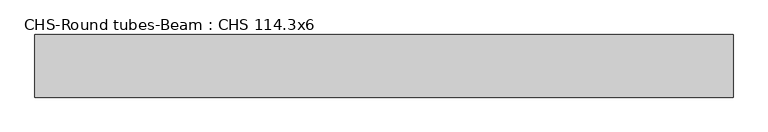
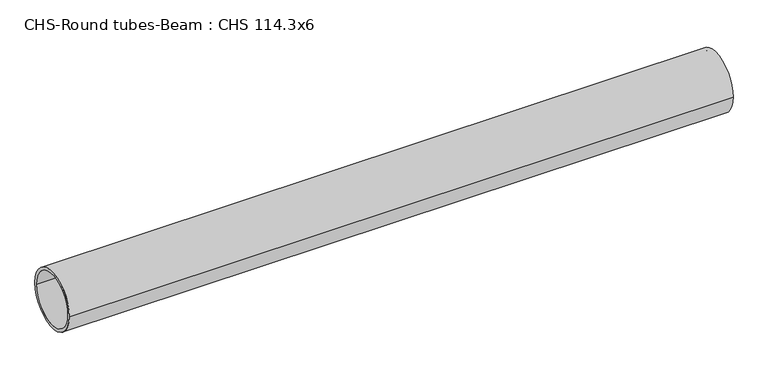
"""IFC4 building model written with IfcOpenShell, lengths in millimetres: beam geometry, CHS-Round tubes-Beam : CHS 114.3x6."""

from ifc_helpers import new_model, si_unit, point, frame, origin, origin_2d, place, context, project, spatial, circle_curve, trimmed, segment, composite_curve, outline, extrude, source, transform, mapped, element, save


def chs_round_tubes_beam_chs_114_3x6_ead6765c(model_context):
    return source(origin(), model_context, "Body", "SweptSolid", [
        extrude(outline(composite_curve([segment(trimmed(circle_curve(origin_2d(), 57.15), [point((57.15, 0.0))], [point((-57.15, 0.0))], False, "CARTESIAN"), True, "CONTINUOUS"), segment(trimmed(circle_curve(origin_2d(), 57.15), [point((-57.15, 0.0))], [point((57.15, 0.0))], False, "CARTESIAN"), True, "CONTINUOUS")], self_intersect=False), holes=[composite_curve([segment(trimmed(circle_curve(origin_2d(), 51.15), [point((51.15, 0.0))], [point((-51.15, 0.0))], True, "CARTESIAN"), True, "CONTINUOUS"), segment(trimmed(circle_curve(origin_2d(), 51.15), [point((-51.15, 0.0))], [point((51.15, 0.0))], True, "CARTESIAN"), True, "CONTINUOUS")], self_intersect=False)]), frame((-634.578662, 0.0, 0.0), z_axis=(1.0, 0.0, 0.0), x_axis=(0.0, 1.0, 0.0)), (0.0, 0.0, 1.0), 1274.3501041),
    ])


if __name__ == "__main__":
    model = new_model("IFC4")
    model_context = context("Model", 3, world=origin())
    ifc_project = project(units=[si_unit("LENGTHUNIT", "METRE", prefix="MILLI")], contexts=[model_context])
    site = spatial("IfcSite", under=ifc_project)
    building = spatial("IfcBuilding", under=site)
    placement = place(None, origin())
    chs_round_tubes_beam_chs_114_3x6_shape = chs_round_tubes_beam_chs_114_3x6_ead6765c(model_context)
    element("IfcBeam", 1, ObjectType="CHS-Round tubes-Beam : CHS 114.3x6", at=placement, inside=building, context=model_context, shape_type="MappedRepresentation", body=[
        mapped(chs_round_tubes_beam_chs_114_3x6_shape, transform((0.0, 0.0, 0.0), x_axis=(1.0, 0.0, 0.0), y_axis=(0.0, 1.0, 0.0), z_axis=(0.0, 0.0, 1.0))),
    ])
    save(model, "model.ifc")
